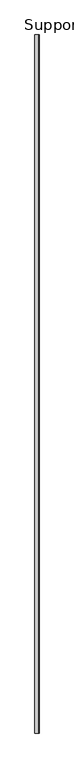
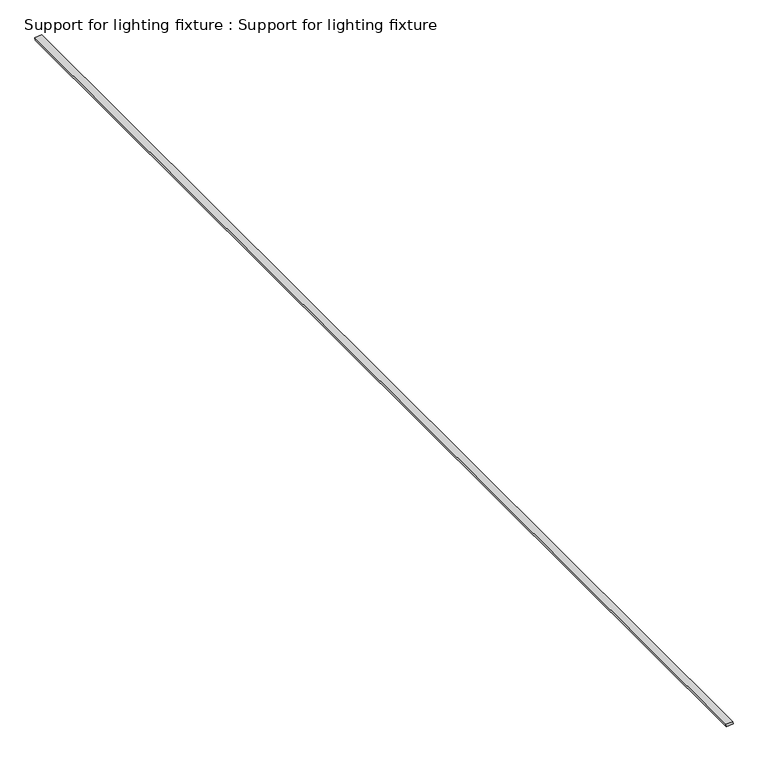
"""IFC4 building model written with IfcOpenShell, lengths in millimetres: proxy geometry, Support for lighting fixture : Support for lighting fixture."""

from ifc_helpers import new_model, si_unit, frame, origin, place, context, project, spatial, polyline, outline, extrude, source, transform, mapped, element, save


def support_for_lighting_fixture_support_for_lighting_fixture_4e619a8e(model_context):
    return source(origin(), model_context, "Body", "SweptSolid", [
        extrude(outline(polyline([(0.0, -37.8359374), (0.0, 0.0), (6533.9198073, 0.0), (6533.9198073, -37.8359374), (0.0, -37.8359374)])), frame((38104.0537356, -18662.4329893, 4158.6964616), z_axis=(-0.08725669412461981, 0.0, 0.9961858608364418), x_axis=(0.0, -1.0, 0.0)), (0.0, 0.0, 1.0), 14.0239258),
    ])


if __name__ == "__main__":
    model = new_model("IFC4")
    model_context = context("Model", 3, world=origin())
    ifc_project = project(units=[si_unit("LENGTHUNIT", "METRE", prefix="MILLI")], contexts=[model_context])
    site = spatial("IfcSite", under=ifc_project)
    building = spatial("IfcBuilding", under=site)
    placement = place(None, origin())
    support_for_lighting_fixture_support_for_lighting_fixture_shape = support_for_lighting_fixture_support_for_lighting_fixture_4e619a8e(model_context)
    element("IfcBuildingElementProxy", 1, Name="Support for lighting fixture : Support for lighting fixture", ObjectType="Support for lighting fixture : Support for lighting fixture", at=placement, inside=building, context=model_context, shape_type="MappedRepresentation", body=[
        mapped(support_for_lighting_fixture_support_for_lighting_fixture_shape, transform((0.0, 0.0, 0.0), x_axis=(1.0, 0.0, 0.0), y_axis=(0.0, 1.0, 0.0), z_axis=(0.0, 0.0, 1.0))),
    ])
    save(model, "model.ifc")
